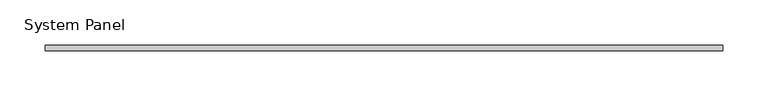
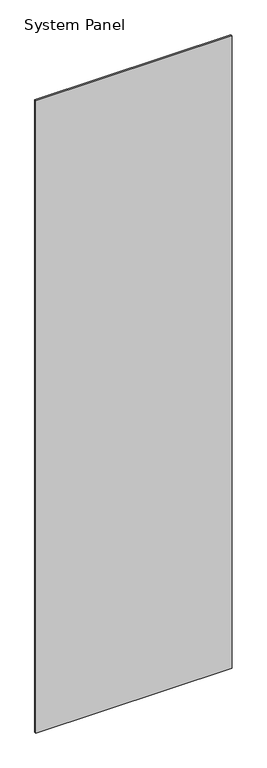
"""IFC4 building model written with IfcOpenShell, lengths in millimetres: plate geometry, System Panel."""

import ifcopenshell
import ifcopenshell.guid

model = None  # the IFC model being written
_history = None  # IfcOwnerHistory: only IFC2X3 demands one
_inside = {}  # id of a spatial element -> (the spatial element, [elements in it])
_under = {}  # id of a project, library or spatial element -> (it, [spatial elements below it])
_declared = {}  # id of a project -> (the project, [libraries it declares])
_typed = {}  # id of a type object -> (the type object, [elements of that type])
_made_of = {}  # id of a material, layer set ... -> (it, [elements and type objects made of it])


def new_model(schema):
    """Start an empty IFC model of exactly this schema.

    Asked for "IFC4X3", IfcOpenShell would pick the latest addendum, in which some entities
    have other attributes; the version numbers below select the first issue.
    IFC2X3 requires an IfcOwnerHistory on every rooted entity: one is made here for all.
    """
    global model, _history
    if schema == "IFC4X3":
        model = ifcopenshell.file(schema_version=(4, 3, 0, 0))
    else:
        model = ifcopenshell.file(schema=schema)
    _inside.clear()
    _under.clear()
    _declared.clear()
    _typed.clear()
    _made_of.clear()
    _history = None
    if model.schema == "IFC2X3":
        org = make("IfcOrganization", Name="unknown")
        user = make(
            "IfcPersonAndOrganization",
            ThePerson=make("IfcPerson", FamilyName="unknown"),
            TheOrganization=org,
        )
        app = make(
            "IfcApplication",
            ApplicationDeveloper=org,
            Version="unknown",
            ApplicationFullName="unknown",
            ApplicationIdentifier="unknown",
        )
        _history = make(
            "IfcOwnerHistory",
            OwningUser=user,
            OwningApplication=app,
            ChangeAction="ADDED",
            CreationDate=0,
        )
    return model


def make(cls, **values):
    """One entity of the class cls with the attributes given. An attribute that is None is left unset."""
    return model.create_entity(
        cls, **{name: value for name, value in values.items() if value is not None}
    )


def rooted(cls, **values):
    """An entity with a GlobalId (a new one), such as an element, a storey or a relation."""
    return make(cls, GlobalId=ifcopenshell.guid.new(), OwnerHistory=_history, **values)


def si_unit(unit_type, name, prefix=None):
    """IfcSIUnit, for example si_unit("LENGTHUNIT", "METRE", prefix="MILLI")."""
    return make("IfcSIUnit", UnitType=unit_type, Prefix=prefix, Name=name)


def assignment(units):
    """IfcUnitAssignment: the units of a project."""
    return None if units is None else make("IfcUnitAssignment", Units=units)


def point(xyz):
    """IfcCartesianPoint."""
    return None if xyz is None else make("IfcCartesianPoint", Coordinates=xyz)


def direction(xyz):
    """IfcDirection."""
    return None if xyz is None else make("IfcDirection", DirectionRatios=xyz)


def frame(location, z_axis=None, x_axis=None):
    """IfcAxis2Placement3D, a coordinate frame: its origin and axes. An axis left out is left unset."""
    return make(
        "IfcAxis2Placement3D",
        Location=point(location),
        Axis=direction(z_axis),
        RefDirection=direction(x_axis),
    )


def origin():
    """The frame at (0, 0, 0) with its axes left unset."""
    return frame((0.0, 0.0, 0.0))


def origin_with_axes():
    """The frame at (0, 0, 0) with the z axis (0, 0, 1) and the x axis (1, 0, 0) written out."""
    return frame((0.0, 0.0, 0.0), z_axis=(0.0, 0.0, 1.0), x_axis=(1.0, 0.0, 0.0))


def place(relative_to, where):
    """IfcLocalPlacement: puts the frame where relative to a parent placement (None: the world)."""
    return make(
        "IfcLocalPlacement", PlacementRelTo=relative_to, RelativePlacement=where
    )


def context(
    kind, dimensions, precision=None, world=None, true_north=None, identifier=None
):
    """IfcGeometricRepresentationContext, for example the 3D "Model" context."""
    return make(
        "IfcGeometricRepresentationContext",
        ContextIdentifier=identifier,
        ContextType=kind,
        CoordinateSpaceDimension=dimensions,
        Precision=precision,
        WorldCoordinateSystem=world,
        TrueNorth=true_north,
    )


def project(units=None, contexts=None):
    """IfcProject with its units and contexts."""
    return rooted(
        "IfcProject",
        Name="project",
        RepresentationContexts=contexts,
        UnitsInContext=assignment(units),
    )


def spatial(cls, under=None, at=None, **own):
    """A site, building, storey or space (cls), placed at a placement, below another one or the project."""
    s = rooted(cls, ObjectPlacement=at, **own)
    if under is not None:
        _under.setdefault(under.id(), (under, []))[1].append(s)
    return s


def polyline(points):
    """IfcPolyline through the points."""
    return make("IfcPolyline", Points=[point(p) for p in points])


def outline(outer, holes=None, kind="AREA"):
    """IfcArbitraryClosedProfileDef: a profile drawn as a closed curve; with holes, ...WithVoids."""
    if holes is None:
        return make("IfcArbitraryClosedProfileDef", ProfileType=kind, OuterCurve=outer)
    return make(
        "IfcArbitraryProfileDefWithVoids",
        ProfileType=kind,
        OuterCurve=outer,
        InnerCurves=holes,
    )


def extrude(swept, where, along, depth):
    """IfcExtrudedAreaSolid: the profile swept, set in the frame where, extruded along a direction by depth."""
    return make(
        "IfcExtrudedAreaSolid",
        SweptArea=swept,
        Position=where,
        ExtrudedDirection=direction(along),
        Depth=depth,
    )


def shape(context_of_items, identifier, shape_type, items):
    """IfcShapeRepresentation: the items that make up one representation, for example the "Body"."""
    return make(
        "IfcShapeRepresentation",
        ContextOfItems=context_of_items,
        RepresentationIdentifier=identifier,
        RepresentationType=shape_type,
        Items=items,
    )


def source(mapping_origin, context_of_items, identifier, shape_type, items):
    """IfcRepresentationMap: a shape defined once, which mapped items show again and again."""
    return make(
        "IfcRepresentationMap",
        MappingOrigin=mapping_origin,
        MappedRepresentation=shape(context_of_items, identifier, shape_type, items),
    )


def transform(
    local_origin,
    x_axis=None,
    y_axis=None,
    z_axis=None,
    scale=None,
    scale2=None,
    scale3=None,
    uniform=True,
):
    """IfcCartesianTransformationOperator3D, or its non-uniform kind. x_axis, y_axis, z_axis: its Axis1, 2, 3."""
    if uniform:
        return make(
            "IfcCartesianTransformationOperator3D",
            Axis1=direction(x_axis),
            Axis2=direction(y_axis),
            LocalOrigin=point(local_origin),
            Scale=scale,
            Axis3=direction(z_axis),
        )
    return make(
        "IfcCartesianTransformationOperator3DnonUniform",
        Axis1=direction(x_axis),
        Axis2=direction(y_axis),
        LocalOrigin=point(local_origin),
        Scale=scale,
        Axis3=direction(z_axis),
        Scale2=scale2,
        Scale3=scale3,
    )


def mapped(mapping_source, mapping_target):
    """IfcMappedItem: shows the shape of a source again, moved by a transform."""
    return make(
        "IfcMappedItem", MappingSource=mapping_source, MappingTarget=mapping_target
    )


def made_of(thing, what):
    """Note that an element or type object is made of a material, layer set ...; save() writes the relation."""
    if what is not None:
        _made_of.setdefault(what.id(), (what, []))[1].append(thing)
    return thing


def element(
    cls,
    number,
    at=None,
    inside=None,
    cuts=None,
    type_object=None,
    material=None,
    context=None,
    identifier="Body",
    shape_type=None,
    held_by="IfcProductDefinitionShape",
    body=None,
    shapes=None,
    **own,
):
    """One element of the class cls, such as IfcWall. Its Tag is "e" and its number.

    at: its placement. inside: the storey or other place that contains it. cuts: it is an
    opening in that element (IfcRelVoidsElement). A single representation is given by context,
    identifier, shape_type and body (its items); several are given by shapes. held_by: the class
    of the entity that holds the representations. save() writes the other relations.
    """
    e = rooted(cls, Tag="e%d" % number, ObjectPlacement=at, **own)
    if body is not None:
        shapes = [shape(context, identifier, shape_type, body)]
    if shapes is not None:
        e.Representation = make(held_by, Representations=shapes)
    if inside is not None:
        _inside.setdefault(inside.id(), (inside, []))[1].append(e)
    if cuts is not None:
        rooted(
            "IfcRelVoidsElement", RelatingBuildingElement=cuts, RelatedOpeningElement=e
        )
    if type_object is not None:
        _typed.setdefault(type_object.id(), (type_object, []))[1].append(e)
    return made_of(e, material)


def aggregate(whole, parts):
    """IfcRelAggregates: a whole, such as a stair, and the parts it consists of."""
    return rooted("IfcRelAggregates", RelatingObject=whole, RelatedObjects=parts)


def save(model, path):
    """Write the relations noted so far, then the file.

    IfcRelAggregates (storeys below a building ...), IfcRelContainedInSpatialStructure (elements
    in a storey), IfcRelDefinesByType, IfcRelAssociatesMaterial and IfcRelDeclares: one each for
    every whole, place, type object, material and project.
    """
    for whole, parts in _under.values():
        aggregate(whole, parts)
    for where, things in _inside.values():
        rooted(
            "IfcRelContainedInSpatialStructure",
            RelatedElements=things,
            RelatingStructure=where,
        )
    for kind, things in _typed.values():
        rooted("IfcRelDefinesByType", RelatedObjects=things, RelatingType=kind)
    for what, things in _made_of.values():
        rooted("IfcRelAssociatesMaterial", RelatedObjects=things, RelatingMaterial=what)
    for by, libraries in _declared.values():
        rooted("IfcRelDeclares", RelatingContext=by, RelatedDefinitions=libraries)
    model.write(path)


def system_panel_859f5261(model_context):
    return source(origin(), model_context, "Body", "SweptSolid", [
        extrude(outline(polyline([(373.3, -3.0), (-373.3, -3.0), (-373.3, 3.0), (373.3, 3.0), (373.3, -3.0)])), origin_with_axes(), (0.0, 0.0, 1.0), 2540.0),
    ])


if __name__ == "__main__":
    model = new_model("IFC4")
    model_context = context("Model", 3, world=origin())
    ifc_project = project(units=[si_unit("LENGTHUNIT", "METRE", prefix="MILLI")], contexts=[model_context])
    site = spatial("IfcSite", under=ifc_project)
    building = spatial("IfcBuilding", under=site)
    placement = place(None, origin())
    system_panel_shape = system_panel_859f5261(model_context)
    element("IfcPlate", 1, ObjectType="System Panel", at=placement, inside=building, context=model_context, shape_type="MappedRepresentation", body=[
        mapped(system_panel_shape, transform((0.0, 0.0, 0.0), x_axis=(1.0, 0.0, 0.0), y_axis=(0.0, 1.0, 0.0), z_axis=(0.0, 0.0, 1.0))),
    ])
    save(model, "model.ifc")
